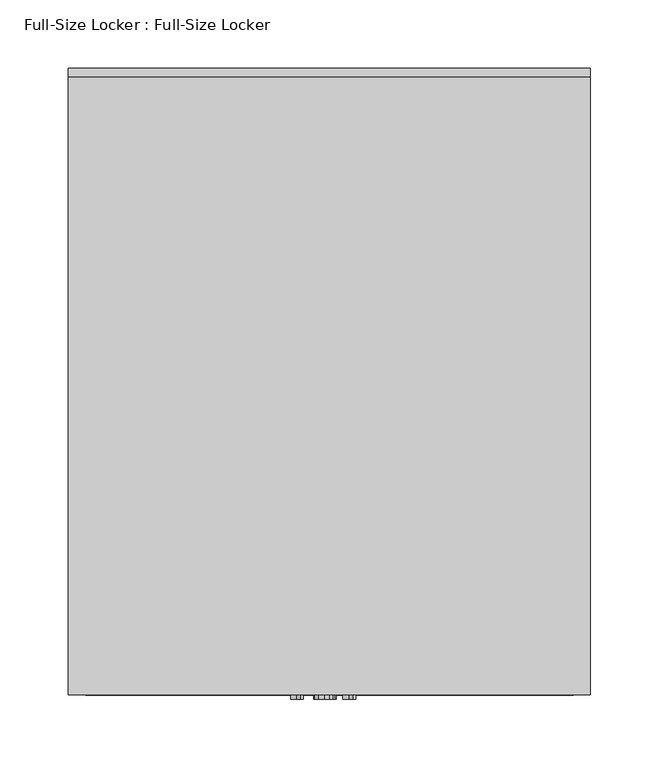
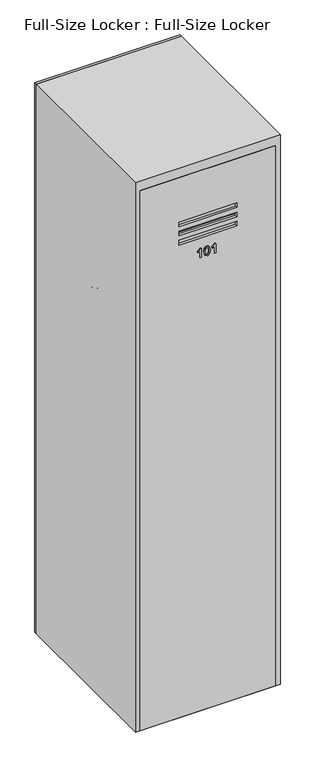
"""IFC4 building model written with IfcOpenShell, lengths in millimetres: furniture geometry, Full-Size Locker : Full-Size Locker."""

from ifc_helpers import new_model, si_unit, point, frame, frame_2d, origin, origin_with_axes, place, context, project, spatial, polyline, circle_curve, trimmed, segment, composite_curve, outline, extrude, source, transform, mapped, element, save
from ifc_brep_helpers import plane_surface, cylinder_surface, revolved_surface, advanced_brep


def full_size_locker_full_size_locker_7107612a(model_context):
    return source(origin(), model_context, "Body", "SolidModel", [
        extrude(outline(polyline([(1498.6, 177.8), (1498.6, -177.8), (0.0, -177.8), (0.0, 177.8), (1498.6, 177.8)]), holes=[polyline([(1375.3615171, 76.2), (1362.6615171, 76.2), (1362.6615171, -76.2), (1375.3615171, -76.2), (1375.3615171, 76.2)]), polyline([(1349.9615171, 76.2), (1337.2615171, 76.2), (1337.2615171, -76.2), (1349.9615171, -76.2), (1349.9615171, 76.2)]), polyline([(1324.5615171, 76.2), (1311.8615171, 76.2), (1311.8615171, -76.2), (1324.5615171, -76.2), (1324.5615171, 76.2)])]), frame((0.0, -304.8, 0.0), z_axis=(0.0, 1.0, 0.0), x_axis=(0.0, 0.0, 1.0)), (0.0, 0.0, 1.0), 6.35),
        extrude(outline(polyline([(177.8, -279.4), (-177.8, -279.4), (-177.8, -273.05), (177.8, -273.05), (177.8, -279.4)])), frame((0.0, 0.0, 76.2), z_axis=(0.0, 0.0, 1.0), x_axis=(1.0, 0.0, 0.0)), (0.0, 0.0, 1.0), 1422.4),
        extrude(outline(polyline([(1524.0, 190.5), (1524.0, -190.5), (0.0, -190.5), (0.0, 190.5), (1524.0, 190.5)]), holes=[polyline([(76.2, -177.8), (1498.6, -177.8), (1498.6, 177.8), (76.2, 177.8), (76.2, -177.8)])]), frame((0.0, -304.8, 0.0), z_axis=(0.0, 1.0, 0.0), x_axis=(0.0, 0.0, 1.0)), (0.0, 0.0, 1.0), 450.85),
        extrude(outline(polyline([(190.5, 146.05), (-190.5, 146.05), (-190.5, 152.4), (190.5, 152.4), (190.5, 146.05)])), origin_with_axes(), (0.0, 0.0, 1.0), 1524.0),
        extrude(outline(polyline([(1259.2753143, -19.0318563), (1284.284545, -19.0318563), (1284.284545, -21.0467601), (1280.9569008, -23.827938), (1278.0322373, -28.4103178), (1275.077045, -28.4103178), (1276.6553864, -25.1193082), (1278.7649296, -22.1580101), (1259.2753143, -22.1580101), (1259.2753143, -19.0318563)])), frame((0.0, -307.975, 0.0), z_axis=(0.0, 1.0, 0.0), x_axis=(0.0, 0.0, 1.0)), (0.0, 0.0, 1.0), 3.175),
        extrude(outline(polyline([(1271.5784393, -11.6072409), (1261.265795, -9.1160871), (1258.884545, -3.4010871), (1260.2552902, 1.175187), (1264.4133191, 3.8953072), (1271.5784393, 4.8050668), (1277.4552421, 4.2372302), (1281.1553383, 2.7718456), (1283.4785835, 0.2501629), (1284.284545, -3.4010871), (1282.9229585, -7.9590438), (1278.7740883, -10.6883226), (1271.5784393, -11.6072409)]), holes=[polyline([(1271.584545, -8.4810871), (1279.4854104, -6.9668563), (1281.1583912, -3.4377217), (1279.259497, 0.2623745), (1271.584545, 1.6789129), (1263.8271652, 0.2135283), (1262.0106989, -3.4010871), (1263.8210595, -7.0157024), (1271.584545, -8.4810871)])]), frame((0.0, -307.975, 0.0), z_axis=(0.0, 1.0, 0.0), x_axis=(0.0, 0.0, 1.0)), (0.0, 0.0, 1.0), 3.175),
        extrude(outline(polyline([(1259.2753143, 19.2635283), (1284.284545, 19.2635283), (1284.284545, 17.2486245), (1280.9569008, 14.4674466), (1278.0322373, 9.8850668), (1275.077045, 9.8850668), (1276.6553864, 13.1760764), (1278.7649296, 16.1373745), (1259.2753143, 16.1373745), (1259.2753143, 19.2635283)])), frame((0.0, -307.975, 0.0), z_axis=(0.0, 1.0, 0.0), x_axis=(0.0, 0.0, 1.0)), (0.0, 0.0, 1.0), 3.175),
        advanced_brep(
        [(-158.75, -57.15, 1105.5799451), (-158.75, -95.25, 1105.5799451), (-165.1, -95.25, 1105.5799451), (-165.1, -57.15, 1105.5799451), (-146.05, -62.3205445, 1105.5799451), (-146.05, -90.0794555, 1105.5799451), (-158.75, -90.0794555, 1105.5799451), (-158.75, -62.3205445, 1105.5799451), (-165.1, -63.5, 1105.5799451), (-165.1, -88.9, 1105.5799451), (-146.05, -88.9, 1105.5799451), (-146.05, -63.5, 1105.5799451)],
        [
            (0, 1, circle_curve(frame((-158.75, -76.2, 1105.5799451), z_axis=(-1.0, 0.0, 0.0), x_axis=(0.0, -1.0, 0.0)), 19.05)),
            (1, 2),
            (2, 3, circle_curve(frame((-165.1, -76.2, 1105.5799451), z_axis=(1.0, 0.0, 0.0), x_axis=(0.0, -1.0, 0.0)), 19.05)),
            (3, 0),
            (4, 5, circle_curve(frame((-146.05, -76.2, 1105.5799451), z_axis=(-1.0, 0.0, 0.0), x_axis=(0.0, -1.0, 0.0)), 13.8794555)),
            (5, 6),
            (6, 7, circle_curve(frame((-158.75, -76.2, 1105.5799451), z_axis=(1.0, 0.0, 0.0), x_axis=(0.0, -1.0, 0.0)), 13.8794555)),
            (7, 4),
            (8, 9, circle_curve(frame((-165.1, -76.2, 1105.5799451), z_axis=(-1.0, 0.0, 0.0), x_axis=(0.0, -1.0, 0.0)), 12.7)),
            (9, 10),
            (10, 11, circle_curve(frame((-146.05, -76.2, 1105.5799451), z_axis=(1.0, 0.0, 0.0), x_axis=(0.0, -1.0, 0.0)), 12.7)),
            (11, 8),
            (2, 3, circle_curve(frame((-165.1, -76.2, 1105.5799451), z_axis=(-1.0, 0.0, 0.0), x_axis=(0.0, 1.0, 0.0)), 19.05)),
            (8, 9, circle_curve(frame((-165.1, -76.2, 1105.5799451), z_axis=(1.0, 0.0, 0.0), x_axis=(0.0, 1.0, 0.0)), 12.7)),
            (1, 0, circle_curve(frame((-158.75, -76.2, 1105.5799451), z_axis=(-1.0, 0.0, 0.0), x_axis=(0.0, 1.0, 0.0)), 19.05)),
            (6, 7, circle_curve(frame((-158.75, -76.2, 1105.5799451), z_axis=(-1.0, 0.0, 0.0), x_axis=(0.0, 1.0, 0.0)), 13.8794555)),
            (5, 4, circle_curve(frame((-146.05, -76.2, 1105.5799451), z_axis=(-1.0, 0.0, 0.0), x_axis=(0.0, 1.0, 0.0)), 13.8794555)),
            (10, 11, circle_curve(frame((-146.05, -76.2, 1105.5799451), z_axis=(-1.0, 0.0, 0.0), x_axis=(0.0, 1.0, 0.0)), 12.7)),
        ],
        [
            cylinder_surface(frame((0.0, -76.2, 1105.5799451), z_axis=(1.0, 0.0, 0.0), x_axis=(0.0, -1.0, 0.0)), 19.05),
            cylinder_surface(frame((0.0, -76.2, 1105.5799451), z_axis=(1.0, 0.0, 0.0), x_axis=(0.0, -1.0, 0.0)), 13.8794555),
            revolved_surface(polyline([(-146.05, -88.9, 1105.5799451), (-165.1, -88.9, 1105.5799451)]), (0.0, -76.2, 1105.5799451), (1.0, 0.0, 0.0)),
            plane_surface(frame((-165.1, -76.2, 1105.5799451), z_axis=(-1.0, 0.0, 0.0), x_axis=(0.0, 1.0, 0.0))),
            cylinder_surface(frame((0.0, -76.2, 1105.5799451), z_axis=(1.0, 0.0, 0.0), x_axis=(0.0, 1.0, 0.0)), 19.05),
            plane_surface(frame((-158.75, -76.2, 1105.5799451), z_axis=(1.0, 0.0, 0.0), x_axis=(0.0, 1.0, 0.0))),
            cylinder_surface(frame((0.0, -76.2, 1105.5799451), z_axis=(1.0, 0.0, 0.0), x_axis=(0.0, 1.0, 0.0)), 13.8794555),
            plane_surface(frame((-146.05, -76.2, 1105.5799451), z_axis=(1.0, 0.0, 0.0), x_axis=(0.0, 1.0, 0.0))),
            revolved_surface(polyline([(-146.05, -63.5, 1105.5799451), (-165.1, -63.5, 1105.5799451)]), (0.0, -76.2, 1105.5799451), (1.0, 0.0, 0.0)),
        ],
        [
            (0, [[1, 2, 3, 4]]),
            (1, [[5, 6, 7, 8]]),
            (2, [[9, 10, 11, 12]]),
            (3, [[13, -3], [14, -9]]),
            (4, [[15, -4, -13, -2]]),
            (5, [[-15, -1], [16, -7]]),
            (6, [[17, -8, -16, -6]]),
            (7, [[-17, -5], [18, -11]]),
            (8, [[-14, -12, -18, -10]]),
        ],
    ),
        advanced_brep(
        [(146.05, -63.5, 1105.5799451), (146.05, -88.9, 1105.5799451), (165.1, -88.9, 1105.5799451), (165.1, -63.5, 1105.5799451), (158.75, -62.3205445, 1105.5799451), (158.75, -90.0794555, 1105.5799451), (146.05, -90.0794555, 1105.5799451), (146.05, -62.3205445, 1105.5799451), (165.1, -57.15, 1105.5799451), (165.1, -95.25, 1105.5799451), (158.75, -95.25, 1105.5799451), (158.75, -57.15, 1105.5799451)],
        [
            (0, 1, circle_curve(frame((146.05, -76.2, 1105.5799451), z_axis=(-1.0, 0.0, 0.0), x_axis=(0.0, -1.0, 0.0)), 12.7)),
            (1, 2),
            (2, 3, circle_curve(frame((165.1, -76.2, 1105.5799451), z_axis=(1.0, 0.0, 0.0), x_axis=(0.0, -1.0, 0.0)), 12.7)),
            (3, 0),
            (4, 5, circle_curve(frame((158.75, -76.2, 1105.5799451), z_axis=(-1.0, 0.0, 0.0), x_axis=(0.0, -1.0, 0.0)), 13.8794555)),
            (5, 6),
            (6, 7, circle_curve(frame((146.05, -76.2, 1105.5799451), z_axis=(1.0, 0.0, 0.0), x_axis=(0.0, -1.0, 0.0)), 13.8794555)),
            (7, 4),
            (8, 9, circle_curve(frame((165.1, -76.2, 1105.5799451), z_axis=(-1.0, 0.0, 0.0), x_axis=(0.0, -1.0, 0.0)), 19.05)),
            (9, 10),
            (10, 11, circle_curve(frame((158.75, -76.2, 1105.5799451), z_axis=(1.0, 0.0, 0.0), x_axis=(0.0, -1.0, 0.0)), 19.05)),
            (11, 8),
            (1, 0, circle_curve(frame((146.05, -76.2, 1105.5799451), z_axis=(-1.0, 0.0, 0.0), x_axis=(0.0, 1.0, 0.0)), 12.7)),
            (3, 2, circle_curve(frame((165.1, -76.2, 1105.5799451), z_axis=(1.0, 0.0, 0.0), x_axis=(0.0, 1.0, 0.0)), 12.7)),
            (6, 7, circle_curve(frame((146.05, -76.2, 1105.5799451), z_axis=(-1.0, 0.0, 0.0), x_axis=(0.0, 1.0, 0.0)), 13.8794555)),
            (5, 4, circle_curve(frame((158.75, -76.2, 1105.5799451), z_axis=(-1.0, 0.0, 0.0), x_axis=(0.0, 1.0, 0.0)), 13.8794555)),
            (10, 11, circle_curve(frame((158.75, -76.2, 1105.5799451), z_axis=(-1.0, 0.0, 0.0), x_axis=(0.0, 1.0, 0.0)), 19.05)),
            (9, 8, circle_curve(frame((165.1, -76.2, 1105.5799451), z_axis=(-1.0, 0.0, 0.0), x_axis=(0.0, 1.0, 0.0)), 19.05)),
        ],
        [
            revolved_surface(polyline([(165.1, -88.9, 1105.5799451), (146.05, -88.9, 1105.5799451)]), (0.0, -76.2, 1105.5799451), (1.0, 0.0, 0.0)),
            cylinder_surface(frame((0.0, -76.2, 1105.5799451), z_axis=(1.0, 0.0, 0.0), x_axis=(0.0, -1.0, 0.0)), 13.8794555),
            cylinder_surface(frame((0.0, -76.2, 1105.5799451), z_axis=(1.0, 0.0, 0.0), x_axis=(0.0, -1.0, 0.0)), 19.05),
            revolved_surface(polyline([(165.1, -63.5, 1105.5799451), (146.05, -63.5, 1105.5799451)]), (0.0, -76.2, 1105.5799451), (1.0, 0.0, 0.0)),
            plane_surface(frame((146.05, -76.2, 1105.5799451), z_axis=(-1.0, 0.0, 0.0), x_axis=(0.0, 1.0, 0.0))),
            cylinder_surface(frame((0.0, -76.2, 1105.5799451), z_axis=(1.0, 0.0, 0.0), x_axis=(0.0, 1.0, 0.0)), 13.8794555),
            plane_surface(frame((158.75, -76.2, 1105.5799451), z_axis=(-1.0, 0.0, 0.0), x_axis=(0.0, 1.0, 0.0))),
            cylinder_surface(frame((0.0, -76.2, 1105.5799451), z_axis=(1.0, 0.0, 0.0), x_axis=(0.0, 1.0, 0.0)), 19.05),
            plane_surface(frame((165.1, -76.2, 1105.5799451), z_axis=(1.0, 0.0, 0.0), x_axis=(0.0, 1.0, 0.0))),
        ],
        [
            (0, [[1, 2, 3, 4]]),
            (1, [[5, 6, 7, 8]]),
            (2, [[9, 10, 11, 12]]),
            (3, [[13, -4, 14, -2]]),
            (4, [[15, -7], [-13, -1]]),
            (5, [[16, -8, -15, -6]]),
            (6, [[17, -11], [-16, -5]]),
            (7, [[18, -12, -17, -10]]),
            (8, [[-18, -9], [-14, -3]]),
        ],
    ),
        extrude(outline(composite_curve([segment(trimmed(circle_curve(frame_2d((-76.2, 1105.5799451)), 12.7), [point((-88.9, 1105.5799451))], [point((-63.5, 1105.5799451))], False, "CARTESIAN"), True, "CONTINUOUS"), segment(trimmed(circle_curve(frame_2d((-76.2, 1105.5799451)), 12.7), [point((-63.5, 1105.5799451))], [point((-88.9, 1105.5799451))], False, "CARTESIAN"), True, "CONTINUOUS")], self_intersect=False)), frame((-177.8, 0.0, 0.0), z_axis=(1.0, 0.0, 0.0), x_axis=(0.0, 1.0, 0.0)), (0.0, 0.0, 1.0), 342.9),
        extrude(outline(polyline([(165.1, -298.45), (-177.8, -298.45), (-177.8, 146.05), (165.1, 146.05), (165.1, -298.45)])), frame((0.0, 0.0, 1320.8), z_axis=(0.0, 0.0, 1.0), x_axis=(1.0, 0.0, 0.0)), (0.0, 0.0, 1.0), 6.35),
    ])


if __name__ == "__main__":
    model = new_model("IFC4")
    model_context = context("Model", 3, world=origin())
    ifc_project = project(units=[si_unit("LENGTHUNIT", "METRE", prefix="MILLI")], contexts=[model_context])
    site = spatial("IfcSite", under=ifc_project)
    building = spatial("IfcBuilding", under=site)
    placement = place(None, origin())
    full_size_locker_full_size_locker_shape = full_size_locker_full_size_locker_7107612a(model_context)
    element("IfcFurniture", 1, ObjectType="Full-Size Locker : Full-Size Locker", at=placement, inside=building, context=model_context, shape_type="MappedRepresentation", body=[
        mapped(full_size_locker_full_size_locker_shape, transform((0.0, 0.0, 0.0), x_axis=(1.0, 0.0, 0.0), y_axis=(0.0, 1.0, 0.0), z_axis=(0.0, 0.0, 1.0))),
    ])
    save(model, "model.ifc")
